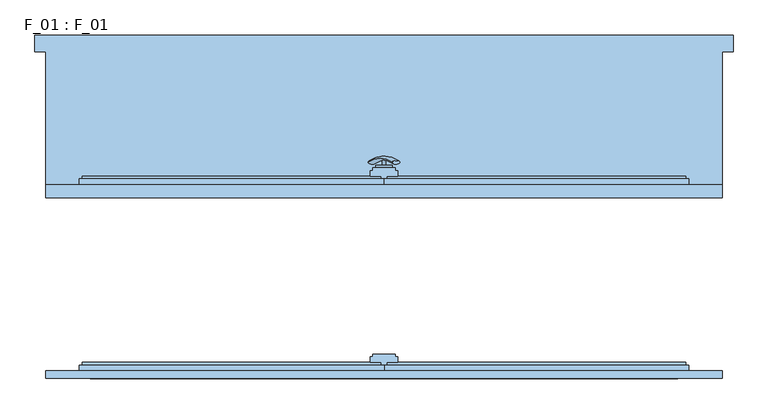
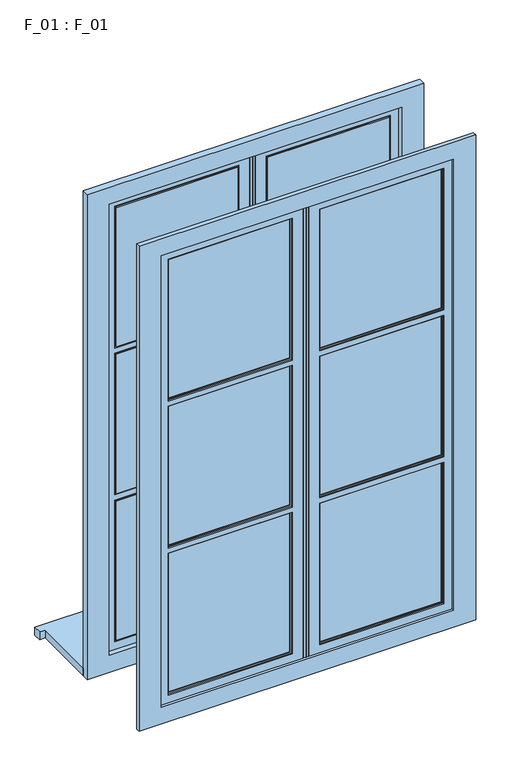
"""IFC4 building model written with IfcOpenShell, lengths in millimetres: window geometry, F_01 : F_01."""

from ifc_helpers import new_model, si_unit, point, frame, frame_2d, origin, place, context, project, spatial, polyline, circle_curve, ellipse_curve, trimmed, segment, composite_curve, outline, extrude, faceted_brep, source, transform, mapped, element, save
from ifc_brep_helpers import plane_surface, revolved_surface, advanced_brep


def f_01_f_01_d1be13db(model_context):
    return source(origin(), model_context, "Body", "SolidModel", [
        advanced_brep(
        [(-28.5497704, 90.2287724, 1355.5816695), (-14.693364, 90.2287724, 1347.5816695), (14.693364, 90.2287724, 1430.4809754), (28.5497704, 90.2287724, 1422.4809754)],
        [
            (0, 1, ellipse_curve(frame((-21.6215672, 90.2287724, 1351.5816695), z_axis=(-0.46984631039295827, -0.3420201433256777, -0.8137976813493676), x_axis=(0.8660254037844349, 0.0, -0.5000000000000066)), 8.0, 3.5)),
            (1, 0, ellipse_curve(frame((-21.6215672, 90.2287724, 1351.5816695), z_axis=(-0.46984631039295827, -0.3420201433256777, -0.8137976813493676), x_axis=(0.8660254037844349, 0.0, -0.5000000000000066)), 8.0, 3.5)),
            (2, 3, ellipse_curve(frame((21.6215672, 90.2287724, 1426.4809754), z_axis=(0.46984631039296154, -0.3420201433256599, 0.8137976813493732), x_axis=(0.8660254037844355, 0.0, -0.5000000000000056)), 8.0, 3.5)),
            (3, 2, ellipse_curve(frame((21.6215672, 90.2287724, 1426.4809754), z_axis=(0.46984631039296154, -0.3420201433256599, 0.8137976813493732), x_axis=(0.8660254037844355, 0.0, -0.5000000000000056)), 8.0, 3.5)),
            (2, 0, circle_curve(frame((-6.9282032, -28.580763, 1393.0313224), z_axis=(-0.8660254037844353, 0.0, 0.500000000000006), x_axis=(-0.1710100716628409, 0.9396926207859051, -0.29619813272603046)), 126.4344667)),
            (1, 3, circle_curve(frame((6.9282032, -28.580763, 1385.0313224), z_axis=(0.8660254037844353, 0.0, -0.500000000000006), x_axis=(-0.1710100716628409, 0.9396926207859051, -0.29619813272603046)), 126.4344667)),
        ],
        [
            plane_surface(frame((40.0926994, 87.5471681, 1317.0779366), z_axis=(-0.4698463103929582, -0.34202014332567776, -0.8137976813493677), x_axis=(-0.8660254037844352, 0.0, 0.500000000000006))),
            plane_surface(frame((82.3598097, 87.5471681, 1390.2867191), z_axis=(0.4698463103929615, -0.34202014332565983, 0.8137976813493734), x_axis=(-0.8660254037844352, 0.0, 0.500000000000006))),
            revolved_surface(trimmed(ellipse_curve(frame((-21.6215672, 90.2287724, 1351.5816695), z_axis=(0.46984631039295827, 0.3420201433256777, 0.8137976813493676), x_axis=(0.8660254037844349, 0.0, -0.5000000000000066)), 8.0, 3.5), [point((-28.5497704, 90.2287724, 1355.5816695))], [point((-14.693364, 90.2287724, 1347.5816695))], True, "CARTESIAN"), (61.2262546, -28.580763, 1353.6823279), (-0.8660254037844353, 0.0, 0.500000000000006)),
            revolved_surface(trimmed(ellipse_curve(frame((-21.6215672, 90.2287724, 1351.5816695), z_axis=(0.46984631039295827, 0.3420201433256777, 0.8137976813493676), x_axis=(0.8660254037844349, 0.0, -0.5000000000000066)), 8.0, 3.5), [point((-14.693364, 90.2287724, 1347.5816695))], [point((-28.5497704, 90.2287724, 1355.5816695))], True, "CARTESIAN"), (61.2262546, -28.580763, 1353.6823279), (-0.8660254037844353, 0.0, 0.500000000000006)),
        ],
        [
            (0, [[1, 2]]),
            (1, [[3, 4]]),
            (2, [[-3, 5, -2, 6]]),
            (3, [[-4, -6, -1, -5]]),
        ],
    ),
        extrude(outline(composite_curve([segment(trimmed(circle_curve(frame_2d((1389.0313224, 0.0)), 3.5), [point((1389.0313224, -3.5))], [point((1389.0313224, 3.5))], False, "CARTESIAN"), True, "CONTINUOUS"), segment(trimmed(circle_curve(frame_2d((1389.0313224, 0.0)), 3.5), [point((1389.0313224, 3.5))], [point((1389.0313224, -3.5))], False, "CARTESIAN"), True, "CONTINUOUS")], self_intersect=False)), frame((0.0, 85.0, 0.0), z_axis=(0.0, 1.0, 0.0), x_axis=(0.0, 0.0, 1.0)), (0.0, 0.0, 1.0), 10.0),
        extrude(outline(composite_curve([segment(polyline([(1453.3333333, -15.0), (1323.3333333, -15.0)]), True, "CONTINUOUS"), segment(trimmed(circle_curve(frame_2d((1323.3333333, 0.0)), 15.0), [point((1323.3333333, -15.0))], [point((1323.3333333, 15.0))], False, "CARTESIAN"), True, "CONTINUOUS"), segment(polyline([(1323.3333333, 15.0), (1453.3333333, 15.0)]), True, "CONTINUOUS"), segment(trimmed(circle_curve(frame_2d((1453.3333333, 0.0)), 15.0), [point((1453.3333333, 15.0))], [point((1453.3333333, -15.0))], False, "CARTESIAN"), True, "CONTINUOUS")], self_intersect=False)), frame((0.0, 80.0, 0.0), z_axis=(0.0, 1.0, 0.0), x_axis=(0.0, 0.0, 1.0)), (0.0, 0.0, 1.0), 5.0),
        faceted_brep([(610.0, 26.0, 2600.0), (610.0, 26.0, 740.0), (610.0, 50.0, 740.0), (610.0, 50.0, 2600.0), (-530.0, 26.0, 2535.0), (-530.0, 26.0, 805.0), (-530.0, 45.0, 805.0), (-530.0, 45.0, 2535.0), (530.0, 26.0, 805.0), (530.0, 45.0, 805.0), (530.0, 26.0, 2535.0), (530.0, 45.0, 2535.0), (-540.0, 50.0, 795.0), (-540.0, 45.0, 795.0), (540.0, 45.0, 795.0), (540.0, 50.0, 795.0), (-540.0, 45.0, 2545.0), (-540.0, 50.0, 2545.0), (540.0, 45.0, 2545.0), (540.0, 50.0, 2545.0), (-610.0, 50.0, 2600.0), (-610.0, 50.0, 740.0), (-610.0, 26.0, 740.0), (-610.0, 26.0, 2600.0)], [[[0, 1, 2, 3]], [[4, 5, 6, 7]], [[5, 8, 9, 6]], [[10, 11, 9, 8]], [[12, 13, 14, 15]], [[16, 13, 12, 17]], [[18, 19, 15, 14]], [[20, 21, 22, 23]], [[7, 11, 10, 4]], [[19, 18, 16, 17]], [[22, 1, 0, 23], [5, 4, 10, 8]], [[2, 1, 22, 21]], [[2, 21, 20, 3], [17, 12, 15, 19]], [[16, 18, 14, 13], [6, 9, 11, 7]], [[0, 3, 20, 23]]]),
        faceted_brep([(-50.0, -271.0, 1941.6666667), (-50.0, -276.0, 1941.6666667), (-500.0, -276.0, 1941.6666667), (-500.0, -271.0, 1941.6666667), (-5.0, -271.0, 790.0), (-545.0, -271.0, 790.0), (-545.0, -271.0, 2550.0), (-5.0, -271.0, 2550.0), (-500.0, -271.0, 1398.3333333), (-50.0, -271.0, 1398.3333333), (-50.0, -271.0, 1961.6666667), (-50.0, -271.0, 2505.0), (-500.0, -271.0, 2505.0), (-500.0, -271.0, 1961.6666667), (-500.0, -271.0, 835.0), (-50.0, -271.0, 835.0), (-50.0, -271.0, 1378.3333333), (-500.0, -271.0, 1378.3333333), (-500.0, -276.0, 1398.3333333), (-500.0, -276.0, 1378.3333333), (-500.0, -276.0, 835.0), (-500.0, -276.0, 1961.6666667), (-500.0, -276.0, 2505.0), (-50.0, -276.0, 1378.3333333), (-50.0, -276.0, 835.0), (-55.0, -276.0, 840.0), (-55.0, -276.0, 1373.3333333), (-495.0, -276.0, 1373.3333333), (-495.0, -276.0, 840.0), (-50.0, -276.0, 2505.0), (-50.0, -276.0, 1961.6666667), (-495.0, -276.0, 2500.0), (-495.0, -276.0, 1966.6666667), (-55.0, -276.0, 1966.6666667), (-55.0, -276.0, 2500.0), (-50.0, -276.0, 1398.3333333), (-55.0, -276.0, 1936.6666667), (-495.0, -276.0, 1936.6666667), (-495.0, -276.0, 1403.3333333), (-55.0, -276.0, 1403.3333333), (-495.0, -286.0, 840.0), (-55.0, -286.0, 840.0), (-495.0, -286.0, 1373.3333333), (-495.0, -286.0, 2500.0), (-495.0, -286.0, 1966.6666667), (-495.0, -286.0, 1403.3333333), (-495.0, -286.0, 1936.6666667), (-55.0, -286.0, 1373.3333333), (-55.0, -286.0, 1966.6666667), (-55.0, -286.0, 2500.0), (-55.0, -286.0, 1936.6666667), (-55.0, -286.0, 1403.3333333), (-50.0, -286.0, 835.0), (-50.0, -286.0, 1378.3333333), (-500.0, -286.0, 1378.3333333), (-500.0, -286.0, 835.0), (-500.0, -286.0, 2505.0), (-500.0, -286.0, 1961.6666667), (-50.0, -286.0, 1961.6666667), (-50.0, -286.0, 2505.0), (-50.0, -286.0, 1941.6666667), (-500.0, -286.0, 1941.6666667), (-500.0, -286.0, 1398.3333333), (-50.0, -286.0, 1398.3333333), (-500.0, -291.0, 835.0), (-50.0, -291.0, 835.0), (-500.0, -291.0, 2505.0), (-500.0, -291.0, 1961.6666667), (-500.0, -291.0, 1941.6666667), (-500.0, -291.0, 1398.3333333), (-500.0, -291.0, 1378.3333333), (-50.0, -291.0, 1378.3333333), (-50.0, -291.0, 1941.6666667), (-50.0, -291.0, 1398.3333333), (-50.0, -291.0, 1961.6666667), (-50.0, -291.0, 2505.0), (-10.0, -291.0, 2545.0), (-540.0, -291.0, 2545.0), (-540.0, -291.0, 795.0), (-10.0, -291.0, 795.0), (-10.0, -286.0, 795.0), (-10.0, -286.0, 2545.0), (-540.0, -286.0, 795.0), (-540.0, -286.0, 2545.0), (-5.0, -276.0, 2550.0), (-5.0, -276.0, 790.0), (-545.0, -276.0, 790.0), (-545.0, -276.0, 2550.0), (0.0, -276.0, 785.0), (-550.0, -276.0, 785.0), (-550.0, -276.0, 2555.0), (0.0, -276.0, 2555.0), (0.0, -286.0, 2555.0), (0.0, -286.0, 785.0), (-550.0, -286.0, 785.0), (-550.0, -286.0, 2555.0)], [[[0, 1, 2, 3]], [[4, 5, 6, 7], [3, 8, 9, 0], [10, 11, 12, 13], [14, 15, 16, 17]], [[3, 2, 18, 8]], [[14, 17, 19, 20]], [[21, 13, 12, 22]], [[20, 19, 23, 24], [25, 26, 27, 28]], [[29, 30, 21, 22], [31, 32, 33, 34]], [[1, 35, 18, 2], [36, 37, 38, 39]], [[1, 0, 9, 35]], [[11, 10, 30, 29]], [[23, 16, 15, 24]], [[25, 28, 40, 41]], [[28, 27, 42, 40]], [[43, 44, 32, 31]], [[45, 38, 37, 46]], [[26, 47, 42, 27]], [[34, 33, 48, 49]], [[41, 47, 26, 25]], [[50, 36, 39, 51]], [[15, 14, 20, 24]], [[16, 23, 19, 17]], [[48, 33, 32, 44]], [[13, 21, 30, 10]], [[51, 39, 38, 45]], [[36, 50, 46, 37]], [[8, 18, 35, 9]], [[52, 53, 54, 55], [41, 40, 42, 47]], [[56, 57, 58, 59], [43, 49, 48, 44]], [[60, 61, 62, 63], [50, 51, 45, 46]], [[52, 55, 64, 65]], [[66, 67, 57, 56]], [[61, 68, 69, 62]], [[54, 70, 64, 55]], [[70, 54, 53, 71]], [[65, 71, 53, 52]], [[72, 60, 63, 73]], [[58, 74, 75, 59]], [[74, 58, 57, 67]], [[73, 63, 62, 69]], [[68, 61, 60, 72]], [[76, 77, 78, 79], [65, 64, 70, 71], [67, 66, 75, 74], [72, 73, 69, 68]], [[76, 79, 80, 81]], [[79, 78, 82, 80]], [[78, 77, 83, 82]], [[84, 85, 4, 7]], [[86, 87, 6, 5]], [[85, 86, 5, 4]], [[88, 89, 90, 91], [84, 87, 86, 85]], [[92, 93, 88, 91]], [[93, 94, 89, 88]], [[92, 95, 94, 93], [80, 82, 83, 81]], [[94, 95, 90, 89]], [[49, 43, 31, 34]], [[29, 22, 12, 11]], [[75, 66, 56, 59]], [[81, 83, 77, 76]], [[7, 6, 87, 84]], [[91, 90, 95, 92]]]),
        faceted_brep([(50.0, -291.0, 2505.0), (50.0, -291.0, 1961.6666667), (50.0, -286.0, 1961.6666667), (50.0, -286.0, 2505.0), (50.0, -286.0, 1378.3333333), (50.0, -291.0, 1378.3333333), (50.0, -291.0, 835.0), (50.0, -286.0, 835.0), (50.0, -286.0, 1941.6666667), (50.0, -291.0, 1941.6666667), (50.0, -291.0, 1398.3333333), (50.0, -286.0, 1398.3333333), (500.0, -286.0, 1961.6666667), (500.0, -286.0, 2505.0), (55.0, -286.0, 2500.0), (495.0, -286.0, 2500.0), (495.0, -286.0, 1966.6666667), (55.0, -286.0, 1966.6666667), (500.0, -286.0, 835.0), (500.0, -286.0, 1378.3333333), (495.0, -286.0, 840.0), (55.0, -286.0, 840.0), (55.0, -286.0, 1373.3333333), (495.0, -286.0, 1373.3333333), (500.0, -286.0, 1398.3333333), (500.0, -286.0, 1941.6666667), (55.0, -286.0, 1936.6666667), (495.0, -286.0, 1936.6666667), (495.0, -286.0, 1403.3333333), (55.0, -286.0, 1403.3333333), (500.0, -291.0, 1961.6666667), (10.0, -291.0, 795.0), (540.0, -291.0, 795.0), (540.0, -291.0, 2545.0), (10.0, -291.0, 2545.0), (500.0, -291.0, 1378.3333333), (500.0, -291.0, 835.0), (500.0, -291.0, 1941.6666667), (500.0, -291.0, 1398.3333333), (500.0, -291.0, 2505.0), (55.0, -276.0, 1966.6666667), (55.0, -276.0, 2500.0), (55.0, -276.0, 840.0), (55.0, -276.0, 1373.3333333), (55.0, -276.0, 1936.6666667), (55.0, -276.0, 1403.3333333), (50.0, -276.0, 835.0), (50.0, -276.0, 1378.3333333), (500.0, -276.0, 1378.3333333), (500.0, -276.0, 835.0), (495.0, -276.0, 840.0), (495.0, -276.0, 1373.3333333), (500.0, -276.0, 2505.0), (500.0, -276.0, 1961.6666667), (50.0, -276.0, 1961.6666667), (50.0, -276.0, 2505.0), (495.0, -276.0, 1966.6666667), (495.0, -276.0, 2500.0), (50.0, -276.0, 1398.3333333), (50.0, -276.0, 1941.6666667), (500.0, -276.0, 1941.6666667), (500.0, -276.0, 1398.3333333), (495.0, -276.0, 1403.3333333), (495.0, -276.0, 1936.6666667), (50.0, -271.0, 835.0), (50.0, -271.0, 1378.3333333), (50.0, -271.0, 1941.6666667), (50.0, -271.0, 1398.3333333), (50.0, -271.0, 1961.6666667), (50.0, -271.0, 2505.0), (500.0, -271.0, 835.0), (500.0, -271.0, 1378.3333333), (5.0, -271.0, 2550.0), (545.0, -271.0, 2550.0), (545.0, -271.0, 790.0), (5.0, -271.0, 790.0), (500.0, -271.0, 1941.6666667), (500.0, -271.0, 1398.3333333), (500.0, -271.0, 2505.0), (500.0, -271.0, 1961.6666667), (5.0, -276.0, 790.0), (5.0, -276.0, 2550.0), (0.0, -276.0, 2555.0), (550.0, -276.0, 2555.0), (550.0, -276.0, 785.0), (0.0, -276.0, 785.0), (545.0, -276.0, 790.0), (545.0, -276.0, 2550.0), (0.0, -286.0, 785.0), (0.0, -286.0, 2555.0), (550.0, -286.0, 785.0), (550.0, -286.0, 2555.0), (10.0, -286.0, 2545.0), (540.0, -286.0, 2545.0), (540.0, -286.0, 795.0), (10.0, -286.0, 795.0)], [[[0, 1, 2, 3]], [[4, 5, 6, 7]], [[8, 9, 10, 11]], [[3, 2, 12, 13], [14, 15, 16, 17]], [[18, 19, 4, 7], [20, 21, 22, 23]], [[11, 24, 25, 8], [26, 27, 28, 29]], [[30, 12, 2, 1]], [[31, 32, 33, 34], [6, 5, 35, 36], [9, 37, 38, 10], [0, 39, 30, 1]], [[6, 36, 18, 7]], [[5, 4, 19, 35]], [[38, 24, 11, 10]], [[9, 8, 25, 37]], [[14, 17, 40, 41]], [[42, 43, 22, 21]], [[44, 26, 29, 45]], [[46, 47, 48, 49], [50, 51, 43, 42]], [[52, 53, 54, 55], [41, 40, 56, 57]], [[58, 59, 60, 61], [45, 62, 63, 44]], [[40, 17, 16, 56]], [[21, 20, 50, 42]], [[51, 23, 22, 43]], [[45, 29, 28, 62]], [[63, 27, 26, 44]], [[64, 65, 47, 46]], [[66, 59, 58, 67]], [[54, 68, 69, 55]], [[46, 49, 70, 64]], [[71, 48, 47, 65]], [[72, 73, 74, 75], [70, 71, 65, 64], [76, 66, 67, 77], [78, 69, 68, 79]], [[67, 58, 61, 77]], [[76, 60, 59, 66]], [[68, 54, 53, 79]], [[72, 75, 80, 81]], [[82, 83, 84, 85], [80, 86, 87, 81]], [[75, 74, 86, 80]], [[82, 85, 88, 89]], [[88, 90, 91, 89], [92, 93, 94, 95]], [[85, 84, 90, 88]], [[92, 95, 31, 34]], [[95, 94, 32, 31]], [[12, 30, 39, 13]], [[36, 35, 19, 18]], [[24, 38, 37, 25]], [[20, 23, 51, 50]], [[57, 56, 16, 15]], [[62, 28, 27, 63]], [[48, 71, 70, 49]], [[78, 79, 53, 52]], [[77, 61, 60, 76]], [[74, 73, 87, 86]], [[84, 83, 91, 90]], [[94, 93, 33, 32]], [[3, 13, 39, 0]], [[41, 57, 15, 14]], [[69, 78, 52, 55]], [[81, 87, 73, 72]], [[89, 91, 83, 82]], [[34, 33, 93, 92]]]),
        faceted_brep([(50.0, 45.0, 835.0), (500.0, 45.0, 835.0), (500.0, 50.0, 835.0), (50.0, 50.0, 835.0), (500.0, 50.0, 1378.3333333), (50.0, 50.0, 1378.3333333), (495.0, 50.0, 840.0), (55.0, 50.0, 840.0), (55.0, 50.0, 1373.3333333), (495.0, 50.0, 1373.3333333), (50.0, 50.0, 2505.0), (50.0, 50.0, 1961.6666667), (500.0, 50.0, 1961.6666667), (500.0, 50.0, 2505.0), (55.0, 50.0, 2500.0), (495.0, 50.0, 2500.0), (495.0, 50.0, 1966.6666667), (55.0, 50.0, 1966.6666667), (500.0, 50.0, 1941.6666667), (50.0, 50.0, 1941.6666667), (50.0, 50.0, 1398.3333333), (500.0, 50.0, 1398.3333333), (495.0, 50.0, 1936.6666667), (495.0, 50.0, 1403.3333333), (55.0, 50.0, 1403.3333333), (55.0, 50.0, 1936.6666667), (50.0, 45.0, 2505.0), (50.0, 45.0, 1961.6666667), (50.0, 45.0, 1941.6666667), (50.0, 45.0, 1398.3333333), (50.0, 45.0, 1378.3333333), (500.0, 45.0, 1378.3333333), (500.0, 45.0, 1941.6666667), (500.0, 45.0, 1398.3333333), (500.0, 45.0, 1961.6666667), (500.0, 45.0, 2505.0), (55.0, 60.0, 1936.6666667), (495.0, 60.0, 1936.6666667), (55.0, 60.0, 1966.6666667), (55.0, 60.0, 2500.0), (55.0, 60.0, 840.0), (55.0, 60.0, 1373.3333333), (55.0, 60.0, 1403.3333333), (495.0, 60.0, 1403.3333333), (495.0, 60.0, 1373.3333333), (495.0, 60.0, 840.0), (495.0, 60.0, 2500.0), (495.0, 60.0, 1966.6666667), (10.0, 45.0, 795.0), (540.0, 45.0, 795.0), (540.0, 45.0, 2545.0), (10.0, 45.0, 2545.0), (10.0, 50.0, 2545.0), (10.0, 50.0, 795.0), (540.0, 50.0, 795.0), (540.0, 50.0, 2545.0), (50.0, 60.0, 835.0), (50.0, 60.0, 1378.3333333), (500.0, 60.0, 1378.3333333), (500.0, 60.0, 835.0), (500.0, 60.0, 2505.0), (500.0, 60.0, 1961.6666667), (50.0, 60.0, 1961.6666667), (50.0, 60.0, 2505.0), (50.0, 60.0, 1941.6666667), (500.0, 60.0, 1941.6666667), (500.0, 60.0, 1398.3333333), (50.0, 60.0, 1398.3333333), (500.0, 65.0, 835.0), (50.0, 65.0, 835.0), (500.0, 65.0, 2505.0), (500.0, 65.0, 1961.6666667), (500.0, 65.0, 1378.3333333), (500.0, 65.0, 1941.6666667), (500.0, 65.0, 1398.3333333), (50.0, 65.0, 1378.3333333), (50.0, 65.0, 1941.6666667), (50.0, 65.0, 1398.3333333), (50.0, 65.0, 1961.6666667), (50.0, 65.0, 2505.0), (5.0, 65.0, 2550.0), (545.0, 65.0, 2550.0), (545.0, 65.0, 790.0), (5.0, 65.0, 790.0), (5.0, 60.0, 790.0), (5.0, 60.0, 2550.0), (545.0, 60.0, 790.0), (545.0, 60.0, 2550.0), (0.0, 60.0, 2555.0), (550.0, 60.0, 2555.0), (550.0, 60.0, 785.0), (0.0, 60.0, 785.0), (0.0, 50.0, 785.0), (0.0, 50.0, 2555.0), (550.0, 50.0, 785.0), (550.0, 50.0, 2555.0)], [[[0, 1, 2, 3]], [[2, 4, 5, 3], [6, 7, 8, 9]], [[10, 11, 12, 13], [14, 15, 16, 17]], [[18, 19, 20, 21], [22, 23, 24, 25]], [[26, 27, 11, 10]], [[19, 28, 29, 20]], [[5, 30, 0, 3]], [[30, 5, 4, 31]], [[1, 31, 4, 2]], [[32, 18, 21, 33]], [[12, 34, 35, 13]], [[34, 12, 11, 27]], [[25, 36, 37, 22]], [[14, 17, 38, 39]], [[40, 41, 8, 7]], [[24, 42, 36, 25]], [[23, 43, 42, 24]], [[6, 9, 44, 45]], [[22, 37, 43, 23]], [[46, 47, 16, 15]], [[16, 47, 38, 17]], [[8, 41, 44, 9]], [[7, 6, 45, 40]], [[33, 21, 20, 29]], [[28, 19, 18, 32]], [[48, 49, 50, 51], [1, 0, 30, 31], [27, 26, 35, 34], [32, 33, 29, 28]], [[52, 53, 48, 51]], [[54, 55, 50, 49]], [[53, 54, 49, 48]], [[56, 57, 58, 59], [45, 44, 41, 40]], [[60, 61, 62, 63], [47, 46, 39, 38]], [[64, 65, 66, 67], [37, 36, 42, 43]], [[56, 59, 68, 69]], [[70, 71, 61, 60]], [[58, 72, 68, 59]], [[65, 73, 74, 66]], [[72, 58, 57, 75]], [[69, 75, 57, 56]], [[76, 64, 67, 77]], [[62, 78, 79, 63]], [[78, 62, 61, 71]], [[77, 67, 66, 74]], [[73, 65, 64, 76]], [[80, 81, 82, 83], [69, 68, 72, 75], [71, 70, 79, 78], [76, 77, 74, 73]], [[80, 83, 84, 85]], [[83, 82, 86, 84]], [[82, 81, 87, 86]], [[88, 89, 90, 91], [84, 86, 87, 85]], [[88, 91, 92, 93]], [[92, 94, 95, 93], [52, 55, 54, 53]], [[91, 90, 94, 92]], [[90, 89, 95, 94]], [[10, 13, 35, 26]], [[39, 46, 15, 14]], [[51, 50, 55, 52]], [[79, 70, 60, 63]], [[85, 87, 81, 80]], [[93, 95, 89, 88]]]),
        faceted_brep([(-50.0, 50.0, 835.0), (-500.0, 50.0, 835.0), (-500.0, 45.0, 835.0), (-50.0, 45.0, 835.0), (-500.0, 45.0, 2505.0), (-500.0, 45.0, 1961.6666667), (-500.0, 50.0, 1961.6666667), (-500.0, 50.0, 2505.0), (-500.0, 50.0, 1941.6666667), (-500.0, 45.0, 1941.6666667), (-500.0, 45.0, 1398.3333333), (-500.0, 50.0, 1398.3333333), (-500.0, 50.0, 1378.3333333), (-500.0, 45.0, 1378.3333333), (-50.0, 50.0, 1378.3333333), (-50.0, 45.0, 1378.3333333), (-50.0, 50.0, 1961.6666667), (-50.0, 45.0, 1961.6666667), (-50.0, 45.0, 2505.0), (-50.0, 50.0, 2505.0), (-50.0, 50.0, 1398.3333333), (-50.0, 45.0, 1398.3333333), (-50.0, 45.0, 1941.6666667), (-50.0, 50.0, 1941.6666667), (-55.0, 60.0, 1936.6666667), (-55.0, 50.0, 1936.6666667), (-495.0, 50.0, 1936.6666667), (-495.0, 60.0, 1936.6666667), (-495.0, 50.0, 1403.3333333), (-495.0, 60.0, 1403.3333333), (-495.0, 60.0, 840.0), (-495.0, 60.0, 1373.3333333), (-495.0, 50.0, 1373.3333333), (-495.0, 50.0, 840.0), (-495.0, 50.0, 2500.0), (-495.0, 50.0, 1966.6666667), (-495.0, 60.0, 1966.6666667), (-495.0, 60.0, 2500.0), (-55.0, 50.0, 1403.3333333), (-55.0, 60.0, 1403.3333333), (-55.0, 50.0, 840.0), (-55.0, 50.0, 1373.3333333), (-55.0, 60.0, 1373.3333333), (-55.0, 60.0, 840.0), (-55.0, 60.0, 2500.0), (-55.0, 60.0, 1966.6666667), (-55.0, 50.0, 1966.6666667), (-55.0, 50.0, 2500.0), (-10.0, 45.0, 2545.0), (-540.0, 45.0, 2545.0), (-540.0, 45.0, 795.0), (-10.0, 45.0, 795.0), (-10.0, 50.0, 795.0), (-10.0, 50.0, 2545.0), (-540.0, 50.0, 795.0), (-540.0, 50.0, 2545.0), (-500.0, 60.0, 835.0), (-500.0, 60.0, 1378.3333333), (-50.0, 60.0, 1378.3333333), (-50.0, 60.0, 835.0), (-50.0, 60.0, 2505.0), (-50.0, 60.0, 1961.6666667), (-500.0, 60.0, 1961.6666667), (-500.0, 60.0, 2505.0), (-500.0, 60.0, 1941.6666667), (-50.0, 60.0, 1941.6666667), (-50.0, 60.0, 1398.3333333), (-500.0, 60.0, 1398.3333333), (-50.0, 65.0, 835.0), (-500.0, 65.0, 835.0), (-50.0, 65.0, 1378.3333333), (-50.0, 65.0, 1398.3333333), (-50.0, 65.0, 1941.6666667), (-50.0, 65.0, 2505.0), (-50.0, 65.0, 1961.6666667), (-500.0, 65.0, 1378.3333333), (-500.0, 65.0, 1941.6666667), (-500.0, 65.0, 1398.3333333), (-500.0, 65.0, 1961.6666667), (-500.0, 65.0, 2505.0), (-5.0, 65.0, 790.0), (-545.0, 65.0, 790.0), (-545.0, 65.0, 2550.0), (-5.0, 65.0, 2550.0), (-5.0, 60.0, 2550.0), (-5.0, 60.0, 790.0), (-545.0, 60.0, 790.0), (-545.0, 60.0, 2550.0), (0.0, 60.0, 785.0), (-550.0, 60.0, 785.0), (-550.0, 60.0, 2555.0), (0.0, 60.0, 2555.0), (0.0, 50.0, 2555.0), (0.0, 50.0, 785.0), (-550.0, 50.0, 785.0), (-550.0, 50.0, 2555.0)], [[[0, 1, 2, 3]], [[4, 5, 6, 7]], [[8, 9, 10, 11]], [[12, 13, 2, 1]], [[13, 12, 14, 15]], [[16, 17, 18, 19]], [[20, 21, 22, 23]], [[3, 15, 14, 0]], [[17, 16, 6, 5]], [[24, 25, 26, 27]], [[27, 26, 28, 29]], [[30, 31, 32, 33]], [[34, 35, 36, 37]], [[38, 39, 29, 28]], [[40, 41, 42, 43]], [[39, 38, 25, 24]], [[44, 45, 46, 47]], [[46, 45, 36, 35]], [[21, 20, 11, 10]], [[9, 8, 23, 22]], [[32, 31, 42, 41]], [[43, 30, 33, 40]], [[48, 49, 50, 51], [3, 2, 13, 15], [5, 4, 18, 17], [22, 21, 10, 9]], [[48, 51, 52, 53]], [[51, 50, 54, 52]], [[50, 49, 55, 54]], [[56, 57, 58, 59], [43, 42, 31, 30]], [[60, 61, 62, 63], [45, 44, 37, 36]], [[64, 65, 66, 67], [24, 27, 29, 39]], [[68, 69, 56, 59]], [[58, 70, 68, 59]], [[71, 66, 65, 72]], [[73, 74, 61, 60]], [[70, 58, 57, 75]], [[69, 75, 57, 56]], [[76, 64, 67, 77]], [[62, 78, 79, 63]], [[78, 62, 61, 74]], [[77, 67, 66, 71]], [[72, 65, 64, 76]], [[80, 81, 82, 83], [69, 68, 70, 75], [76, 77, 71, 72], [74, 73, 79, 78]], [[84, 85, 80, 83]], [[86, 87, 82, 81]], [[85, 86, 81, 80]], [[88, 89, 90, 91], [84, 87, 86, 85]], [[92, 93, 88, 91]], [[93, 94, 89, 88]], [[92, 95, 94, 93], [52, 54, 55, 53]], [[94, 95, 90, 89]], [[18, 4, 7, 19]], [[47, 34, 37, 44]], [[53, 55, 49, 48]], [[60, 63, 79, 73]], [[83, 82, 87, 84]], [[91, 90, 95, 92]], [[0, 14, 12, 1], [40, 33, 32, 41]], [[7, 6, 16, 19], [35, 34, 47, 46]], [[23, 8, 11, 20], [38, 28, 26, 25]]]),
        faceted_brep([(-610.0, -286.0, 740.0), (610.0, -286.0, 740.0), (610.0, -300.0, 740.0), (-610.0, -300.0, 740.0), (-610.0, -286.0, 2600.0), (-610.0, -300.0, 2600.0), (610.0, -300.0, 2600.0), (-530.0, -300.0, 2535.0), (530.0, -300.0, 2535.0), (530.0, -300.0, 805.0), (-530.0, -300.0, 805.0), (610.0, -286.0, 2600.0), (540.0, -286.0, 2545.0), (-540.0, -286.0, 2545.0), (-540.0, -286.0, 795.0), (540.0, -286.0, 795.0), (-530.0, -291.0, 805.0), (-530.0, -291.0, 2535.0), (530.0, -291.0, 805.0), (530.0, -291.0, 2535.0), (540.0, -291.0, 795.0), (540.0, -291.0, 2545.0), (-540.0, -291.0, 795.0), (-540.0, -291.0, 2545.0)], [[[0, 1, 2, 3]], [[4, 0, 3, 5]], [[2, 6, 5, 3], [7, 8, 9, 10]], [[6, 2, 1, 11]], [[0, 4, 11, 1], [12, 13, 14, 15]], [[7, 10, 16, 17]], [[16, 10, 9, 18]], [[19, 18, 9, 8]], [[12, 15, 20, 21]], [[14, 22, 20, 15]], [[22, 14, 13, 23]], [[21, 20, 22, 23], [17, 16, 18, 19]], [[5, 6, 11, 4]], [[17, 19, 8, 7]], [[12, 21, 23, 13]]]),
        extrude(outline(polyline([(0.5, -291.0), (0.5, -286.0), (10.0, -286.0), (10.0, -291.0), (0.5, -291.0)])), frame((0.0, 0.0, 785.0), z_axis=(0.0, 0.0, 1.0), x_axis=(1.0, 0.0, 0.0)), (0.0, 0.0, 1.0), 1770.0),
        extrude(outline(polyline([(-0.5, -291.0), (-10.0, -291.0), (-10.0, -286.0), (-0.5, -286.0), (-0.5, -291.0)])), frame((0.0, 0.0, 785.0), z_axis=(0.0, 0.0, 1.0), x_axis=(1.0, 0.0, 0.0)), (0.0, 0.0, 1.0), 1770.0),
        extrude(outline(polyline([(-55.0, -279.0), (-55.0, -283.0), (-495.0, -283.0), (-495.0, -279.0), (-55.0, -279.0)])), frame((0.0, 0.0, 1966.6666667), z_axis=(0.0, 0.0, 1.0), x_axis=(1.0, 0.0, 0.0)), (0.0, 0.0, 1.0), 533.3333333),
        extrude(outline(polyline([(-55.0, -279.0), (-55.0, -283.0), (-495.0, -283.0), (-495.0, -279.0), (-55.0, -279.0)])), frame((0.0, 0.0, 840.0), z_axis=(0.0, 0.0, 1.0), x_axis=(1.0, 0.0, 0.0)), (0.0, 0.0, 1.0), 533.3333333),
        extrude(outline(polyline([(495.0, -279.0), (495.0, -283.0), (55.0, -283.0), (55.0, -279.0), (495.0, -279.0)])), frame((0.0, 0.0, 1966.6666667), z_axis=(0.0, 0.0, 1.0), x_axis=(1.0, 0.0, 0.0)), (0.0, 0.0, 1.0), 533.3333333),
        extrude(outline(polyline([(495.0, -279.0), (495.0, -283.0), (55.0, -283.0), (55.0, -279.0), (495.0, -279.0)])), frame((0.0, 0.0, 840.0), z_axis=(0.0, 0.0, 1.0), x_axis=(1.0, 0.0, 0.0)), (0.0, 0.0, 1.0), 533.3333333),
        extrude(outline(polyline([(495.0, -279.0), (495.0, -283.0), (55.0, -283.0), (55.0, -279.0), (495.0, -279.0)])), frame((0.0, 0.0, 1403.3333333), z_axis=(0.0, 0.0, 1.0), x_axis=(1.0, 0.0, 0.0)), (0.0, 0.0, 1.0), 533.3333333),
        extrude(outline(polyline([(-55.0, -279.0), (-55.0, -283.0), (-495.0, -283.0), (-495.0, -279.0), (-55.0, -279.0)])), frame((0.0, 0.0, 1403.3333333), z_axis=(0.0, 0.0, 1.0), x_axis=(1.0, 0.0, 0.0)), (0.0, 0.0, 1.0), 533.3333333),
        extrude(outline(polyline([(5.0, -276.0), (-5.0, -276.0), (-5.0, -271.0), (-25.0, -271.0), (-25.0, -261.0), (-20.0, -261.0), (-20.0, -256.0), (20.0, -256.0), (20.0, -261.0), (25.0, -261.0), (25.0, -271.0), (5.0, -271.0), (5.0, -276.0)])), frame((0.0, 0.0, 785.0), z_axis=(0.0, 0.0, 1.0), x_axis=(1.0, 0.0, 0.0)), (0.0, 0.0, 1.0), 1770.0),
        extrude(outline(polyline([(-0.5, 45.0), (-10.0, 45.0), (-10.0, 50.0), (-0.5, 50.0), (-0.5, 45.0)])), frame((0.0, 0.0, 785.0), z_axis=(0.0, 0.0, 1.0), x_axis=(1.0, 0.0, 0.0)), (0.0, 0.0, 1.0), 1770.0),
        extrude(outline(polyline([(-55.0, 47.0), (-55.0, 43.0), (-495.0, 43.0), (-495.0, 47.0), (-55.0, 47.0)])), frame((0.0, 0.0, 840.0), z_axis=(0.0, 0.0, 1.0), x_axis=(1.0, 0.0, 0.0)), (0.0, 0.0, 1.0), 533.3333333),
        extrude(outline(polyline([(495.0, 47.0), (495.0, 43.0), (55.0, 43.0), (55.0, 47.0), (495.0, 47.0)])), frame((0.0, 0.0, 840.0), z_axis=(0.0, 0.0, 1.0), x_axis=(1.0, 0.0, 0.0)), (0.0, 0.0, 1.0), 533.3333333),
        extrude(outline(polyline([(-55.0, 47.0), (-55.0, 43.0), (-495.0, 43.0), (-495.0, 47.0), (-55.0, 47.0)])), frame((0.0, 0.0, 1403.3333333), z_axis=(0.0, 0.0, 1.0), x_axis=(1.0, 0.0, 0.0)), (0.0, 0.0, 1.0), 533.3333333),
        extrude(outline(polyline([(495.0, 47.0), (495.0, 43.0), (55.0, 43.0), (55.0, 47.0), (495.0, 47.0)])), frame((0.0, 0.0, 1403.3333333), z_axis=(0.0, 0.0, 1.0), x_axis=(1.0, 0.0, 0.0)), (0.0, 0.0, 1.0), 533.3333333),
        extrude(outline(polyline([(-55.0, 47.0), (-55.0, 43.0), (-495.0, 43.0), (-495.0, 47.0), (-55.0, 47.0)])), frame((0.0, 0.0, 1966.6666667), z_axis=(0.0, 0.0, 1.0), x_axis=(1.0, 0.0, 0.0)), (0.0, 0.0, 1.0), 533.3333333),
        extrude(outline(polyline([(495.0, 47.0), (495.0, 43.0), (55.0, 43.0), (55.0, 47.0), (495.0, 47.0)])), frame((0.0, 0.0, 1966.6666667), z_axis=(0.0, 0.0, 1.0), x_axis=(1.0, 0.0, 0.0)), (0.0, 0.0, 1.0), 533.3333333),
        extrude(outline(polyline([(5.0, 60.0), (-5.0, 60.0), (-5.0, 65.0), (-25.0, 65.0), (-25.0, 75.0), (-20.0, 75.0), (-20.0, 80.0), (20.0, 80.0), (20.0, 75.0), (25.0, 75.0), (25.0, 65.0), (5.0, 65.0), (5.0, 60.0)])), frame((0.0, 0.0, 785.0), z_axis=(0.0, 0.0, 1.0), x_axis=(1.0, 0.0, 0.0)), (0.0, 0.0, 1.0), 1770.0),
        extrude(outline(polyline([(0.5, 45.0), (0.5, 50.0), (10.0, 50.0), (10.0, 45.0), (0.5, 45.0)])), frame((0.0, 0.0, 785.0), z_axis=(0.0, 0.0, 1.0), x_axis=(1.0, 0.0, 0.0)), (0.0, 0.0, 1.0), 1770.0),
        extrude(outline(polyline([(-610.0, 290.0), (-630.0, 290.0), (-630.0, 320.0), (630.0, 320.0), (630.0, 290.0), (610.0, 290.0), (610.0, 50.0), (-610.0, 50.0), (-610.0, 290.0)])), frame((0.0, 0.0, 740.0), z_axis=(0.0, 0.0, 1.0), x_axis=(1.0, 0.0, 0.0)), (0.0, 0.0, 1.0), 30.0),
    ])


if __name__ == "__main__":
    model = new_model("IFC4")
    model_context = context("Model", 3, world=origin())
    ifc_project = project(units=[si_unit("LENGTHUNIT", "METRE", prefix="MILLI")], contexts=[model_context])
    site = spatial("IfcSite", under=ifc_project)
    building = spatial("IfcBuilding", under=site)
    placement = place(None, origin())
    f_01_f_01_shape = f_01_f_01_d1be13db(model_context)
    element("IfcWindow", 1, ObjectType="F_01 : F_01", at=placement, inside=building, context=model_context, shape_type="MappedRepresentation", body=[
        mapped(f_01_f_01_shape, transform((0.0, 0.0, 0.0), x_axis=(1.0, 0.0, 0.0), y_axis=(0.0, 1.0, 0.0), z_axis=(0.0, 0.0, 1.0))),
    ])
    save(model, "model.ifc")
